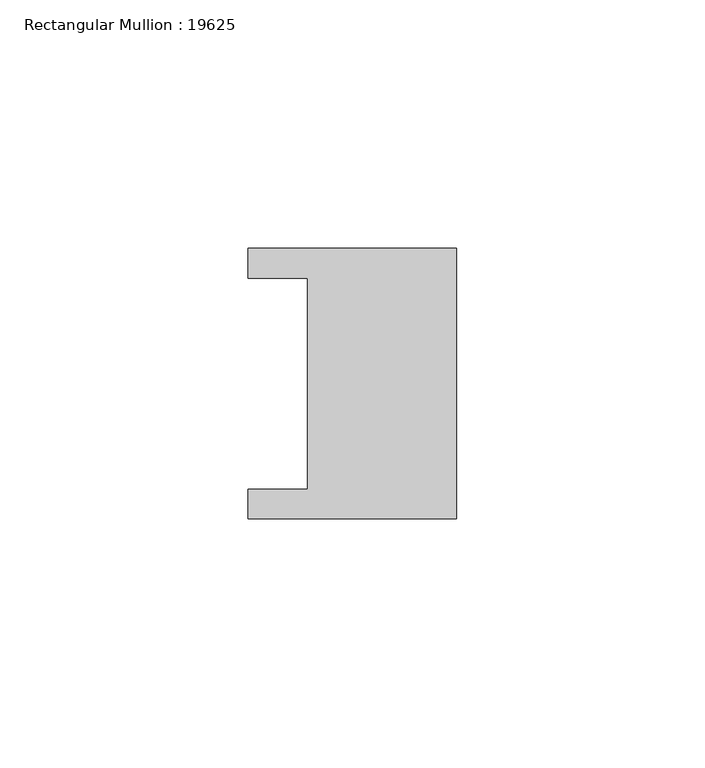
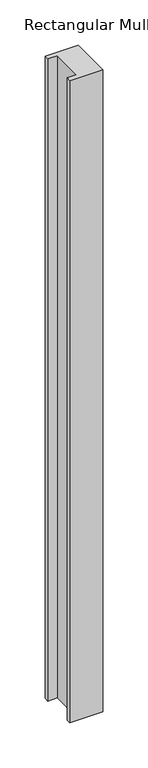
"""IFC4 building model written with IfcOpenShell, lengths in millimetres: member geometry, Rectangular Mullion : 19625."""

from ifc_helpers import new_model, si_unit, frame, origin, place, context, project, spatial, polyline, outline, extrude, source, transform, mapped, element, save


def rectangular_mullion_19625_b9d34313(model_context):
    return source(origin(), model_context, "Body", "SweptSolid", [
        extrude(outline(polyline([(0.0, 27.25), (0.0, -27.25), (-42.0, -27.25), (-42.0, -21.25), (-30.0, -21.25), (-30.0, 21.25), (-42.0, 21.25), (-42.0, 27.25), (0.0, 27.25)])), frame((0.0, 0.0, -867.75), z_axis=(0.0, 0.0, 1.0), x_axis=(1.0, 0.0, 0.0)), (0.0, 0.0, 1.0), 867.75),
    ])


if __name__ == "__main__":
    model = new_model("IFC4")
    model_context = context("Model", 3, world=origin())
    ifc_project = project(units=[si_unit("LENGTHUNIT", "METRE", prefix="MILLI")], contexts=[model_context])
    site = spatial("IfcSite", under=ifc_project)
    building = spatial("IfcBuilding", under=site)
    placement = place(None, origin())
    rectangular_mullion_19625_shape = rectangular_mullion_19625_b9d34313(model_context)
    element("IfcMember", 1, ObjectType="Rectangular Mullion : 19625", at=placement, inside=building, context=model_context, shape_type="MappedRepresentation", body=[
        mapped(rectangular_mullion_19625_shape, transform((0.0, 0.0, 0.0), x_axis=(1.0, 0.0, 0.0), y_axis=(0.0, 1.0, 0.0), z_axis=(0.0, 0.0, 1.0))),
    ])
    save(model, "model.ifc")
